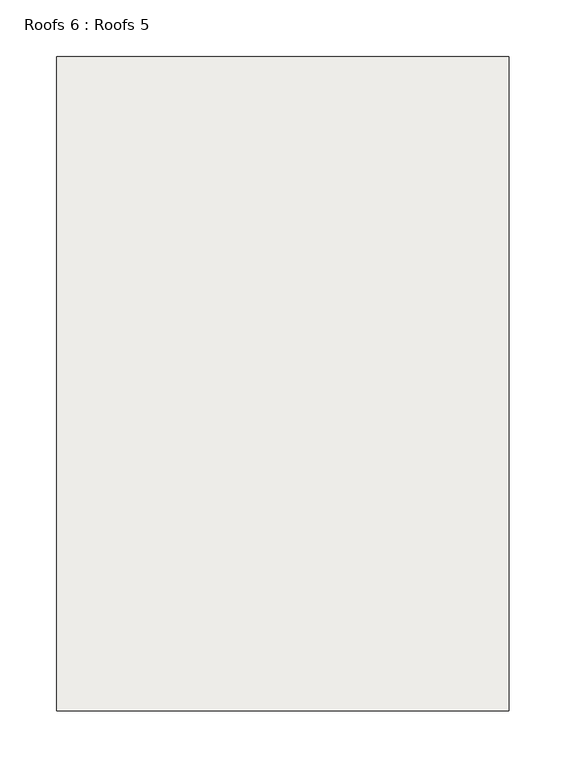
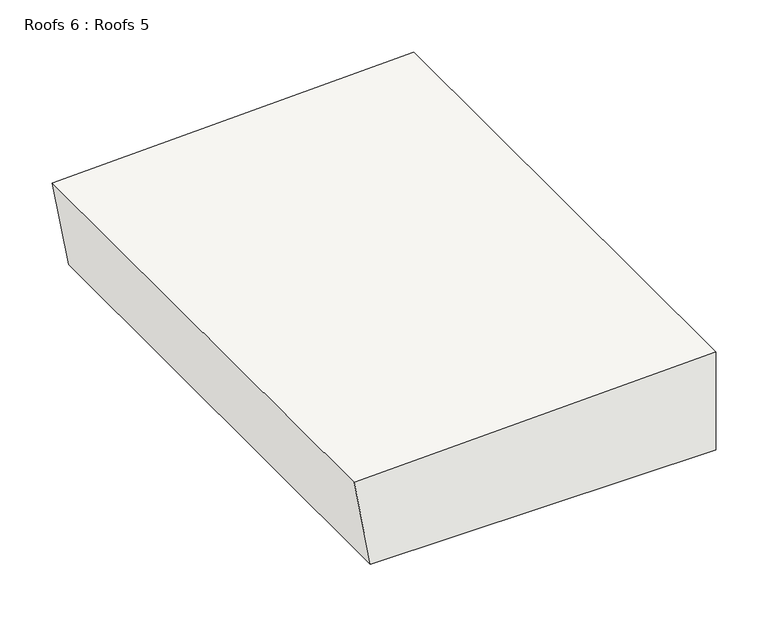
"""IFC4 building model written with IfcOpenShell, lengths in millimetres: roof geometry, Roofs 6 : Roofs 5."""

from ifc_helpers import new_model, si_unit, frame, origin, place, context, project, spatial, polyline, outline, extrude, source, transform, mapped, element, save


def roofs_6_roofs_5_55a9f445(model_context):
    return source(origin(), model_context, "Body", "SweptSolid", [
        extrude(outline(polyline([(-1727.3568927, -12602.1969605), (-1613.0568927, -12602.1969605), (-1625.8798658, -13001.0900983), (-1727.3568927, -12983.1969605), (-1727.3568927, -12602.1969605)])), frame((0.0, 27526.3310206, 0.0), z_axis=(0.0, 1.0, 0.0), x_axis=(0.0, 0.0, 1.0)), (0.0, 0.0, 1.0), 576.793543),
    ])


if __name__ == "__main__":
    model = new_model("IFC4")
    model_context = context("Model", 3, world=origin())
    ifc_project = project(units=[si_unit("LENGTHUNIT", "METRE", prefix="MILLI")], contexts=[model_context])
    site = spatial("IfcSite", under=ifc_project)
    building = spatial("IfcBuilding", under=site)
    placement = place(None, origin())
    roofs_6_roofs_5_shape = roofs_6_roofs_5_55a9f445(model_context)
    element("IfcRoof", 1, ObjectType="Roofs 6 : Roofs 5", at=placement, inside=building, context=model_context, shape_type="MappedRepresentation", body=[
        mapped(roofs_6_roofs_5_shape, transform((0.0, 0.0, 0.0), x_axis=(1.0, 0.0, 0.0), y_axis=(0.0, 1.0, 0.0), z_axis=(0.0, 0.0, 1.0))),
    ])
    save(model, "model.ifc")
